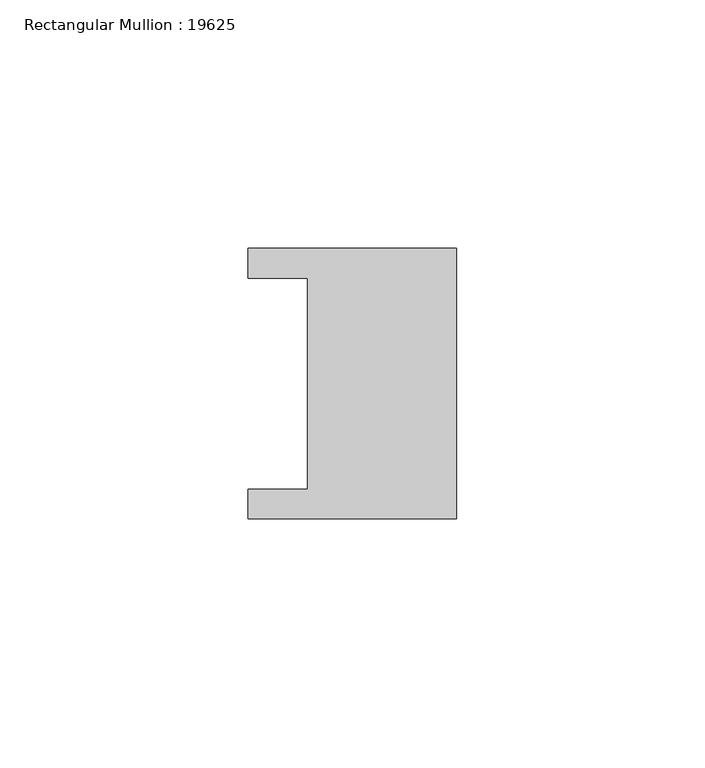
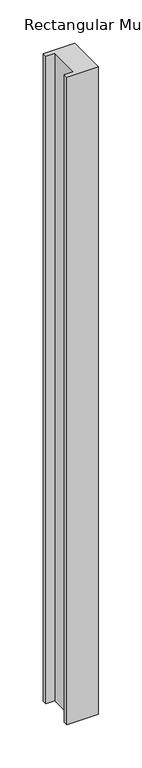
"""IFC4 building model written with IfcOpenShell, lengths in millimetres: member geometry, Rectangular Mullion : 19625."""

from ifc_helpers import new_model, si_unit, frame, origin, place, context, project, spatial, polyline, outline, extrude, source, transform, mapped, element, save


def rectangular_mullion_19625_c86045df(model_context):
    return source(origin(), model_context, "Body", "SweptSolid", [
        extrude(outline(polyline([(0.0, -27.25), (-42.0, -27.25), (-42.0, -21.25), (-30.0, -21.25), (-30.0, 21.25), (-42.0, 21.25), (-42.0, 27.25), (0.0, 27.25), (0.0, -27.25)])), frame((0.0, 0.0, -912.1768639), z_axis=(0.0, 0.0, 1.0), x_axis=(1.0, 0.0, 0.0)), (0.0, 0.0, 1.0), 912.1768639),
    ])


if __name__ == "__main__":
    model = new_model("IFC4")
    model_context = context("Model", 3, world=origin())
    ifc_project = project(units=[si_unit("LENGTHUNIT", "METRE", prefix="MILLI")], contexts=[model_context])
    site = spatial("IfcSite", under=ifc_project)
    building = spatial("IfcBuilding", under=site)
    placement = place(None, origin())
    rectangular_mullion_19625_shape = rectangular_mullion_19625_c86045df(model_context)
    element("IfcMember", 1, ObjectType="Rectangular Mullion : 19625", at=placement, inside=building, context=model_context, shape_type="MappedRepresentation", body=[
        mapped(rectangular_mullion_19625_shape, transform((0.0, 0.0, 0.0), x_axis=(1.0, 0.0, 0.0), y_axis=(0.0, 1.0, 0.0), z_axis=(0.0, 0.0, 1.0))),
    ])
    save(model, "model.ifc")
